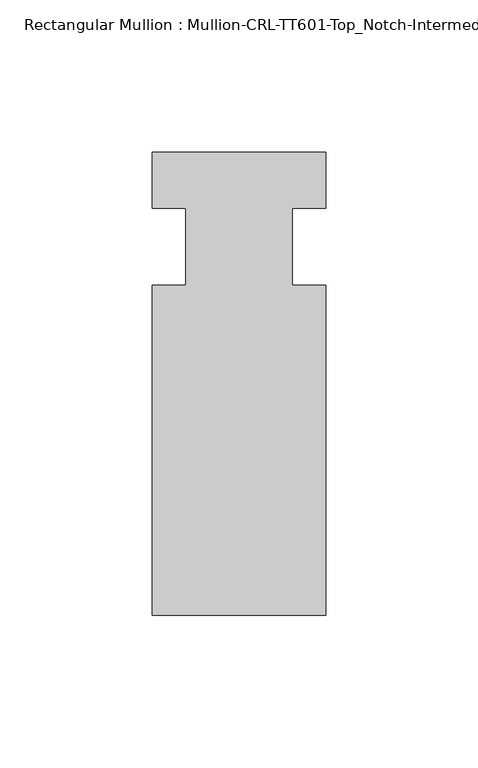
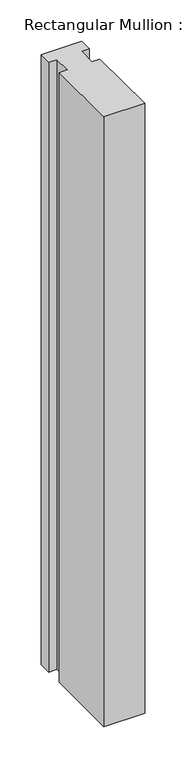
"""IFC4 building model written with IfcOpenShell, lengths in millimetres: member geometry, Rectangular Mullion : Mullion-CRL-TT601-Top_Notch-Intermediate_Horizontal."""

from ifc_helpers import new_model, si_unit, frame, origin, place, context, project, spatial, polyline, outline, extrude, source, transform, mapped, element, save


def rectangular_mullion_mullion_crl_tt601_top_notch_intermediate_753eb75f(model_context):
    return source(origin(), model_context, "Body", "SweptSolid", [
        extrude(outline(polyline([(-28.575, -12.7), (-17.4625, -12.7), (-17.4625, 12.7), (-28.575, 12.7), (-28.575, 31.140391), (28.575, 31.140391), (28.575, 12.7), (17.4625, 12.7), (17.4625, -12.7), (28.575, -12.7), (28.575, -121.259591), (-28.575, -121.259591), (-28.575, -12.7)])), frame((0.0, 0.0, -904.875), z_axis=(0.0, 0.0, 1.0), x_axis=(1.0, 0.0, 0.0)), (0.0, 0.0, 1.0), 904.875),
    ])


if __name__ == "__main__":
    model = new_model("IFC4")
    model_context = context("Model", 3, world=origin())
    ifc_project = project(units=[si_unit("LENGTHUNIT", "METRE", prefix="MILLI")], contexts=[model_context])
    site = spatial("IfcSite", under=ifc_project)
    building = spatial("IfcBuilding", under=site)
    placement = place(None, origin())
    rectangular_mullion_mullion_crl_tt601_top_notch_intermediate_shape = rectangular_mullion_mullion_crl_tt601_top_notch_intermediate_753eb75f(model_context)
    element("IfcMember", 1, ObjectType="Rectangular Mullion : Mullion-CRL-TT601-Top_Notch-Intermediate_Horizontal", at=placement, inside=building, context=model_context, shape_type="MappedRepresentation", body=[
        mapped(rectangular_mullion_mullion_crl_tt601_top_notch_intermediate_shape, transform((0.0, 0.0, 0.0), x_axis=(1.0, 0.0, 0.0), y_axis=(0.0, 1.0, 0.0), z_axis=(0.0, 0.0, 1.0))),
    ])
    save(model, "model.ifc")
